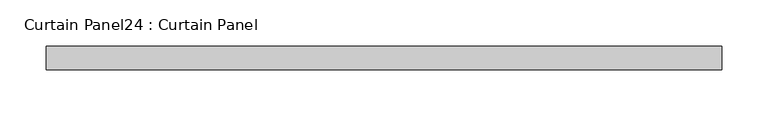
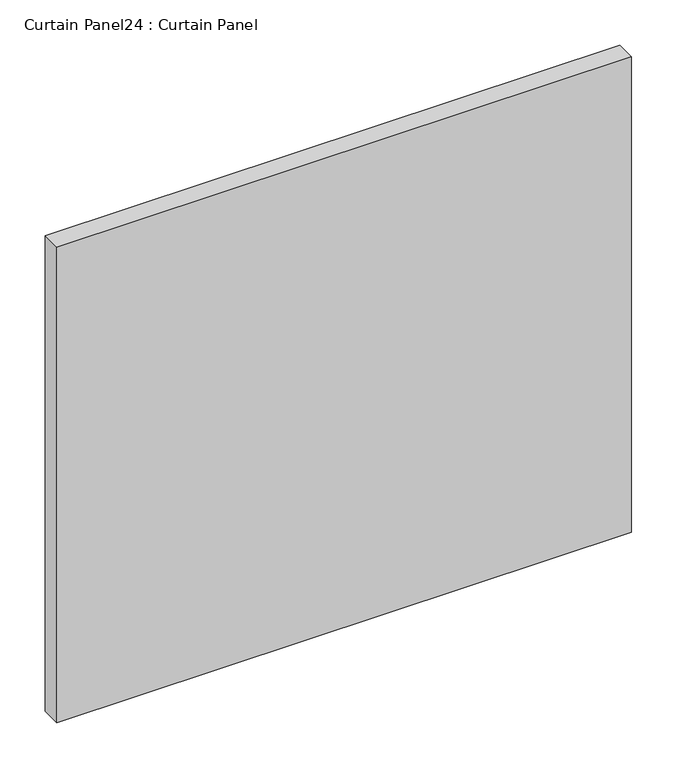
"""IFC4 building model written with IfcOpenShell, lengths in millimetres: plate geometry, Curtain Panel24 : Curtain Panel."""

from ifc_helpers import new_model, si_unit, frame, origin, place, context, project, spatial, polyline, outline, extrude, source, transform, mapped, element, save


def curtain_panel24_curtain_panel_e4ef8d0c(model_context):
    return source(origin(), model_context, "Body", "SweptSolid", [
        extrude(outline(polyline([(3227.8627701, 3568.3617926), (2495.4959131, 3568.3617926), (2495.4959131, 3593.7617926), (3227.8627701, 3593.7617926), (3227.8627701, 3568.3617926)])), frame((0.0, 0.0, 683.2652917), z_axis=(0.0, 0.0, 1.0), x_axis=(1.0, 0.0, 0.0)), (0.0, 0.0, 1.0), 640.0694167),
    ])


if __name__ == "__main__":
    model = new_model("IFC4")
    model_context = context("Model", 3, world=origin())
    ifc_project = project(units=[si_unit("LENGTHUNIT", "METRE", prefix="MILLI")], contexts=[model_context])
    site = spatial("IfcSite", under=ifc_project)
    building = spatial("IfcBuilding", under=site)
    placement = place(None, origin())
    curtain_panel24_curtain_panel_shape = curtain_panel24_curtain_panel_e4ef8d0c(model_context)
    element("IfcPlate", 1, ObjectType="Curtain Panel24 : Curtain Panel", at=placement, inside=building, context=model_context, shape_type="MappedRepresentation", body=[
        mapped(curtain_panel24_curtain_panel_shape, transform((0.0, 0.0, 0.0), x_axis=(1.0, 0.0, 0.0), y_axis=(0.0, 1.0, 0.0), z_axis=(0.0, 0.0, 1.0))),
    ])
    save(model, "model.ifc")
